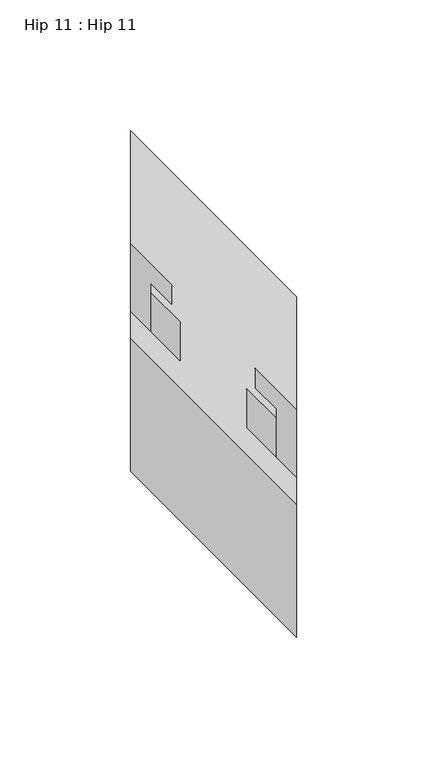
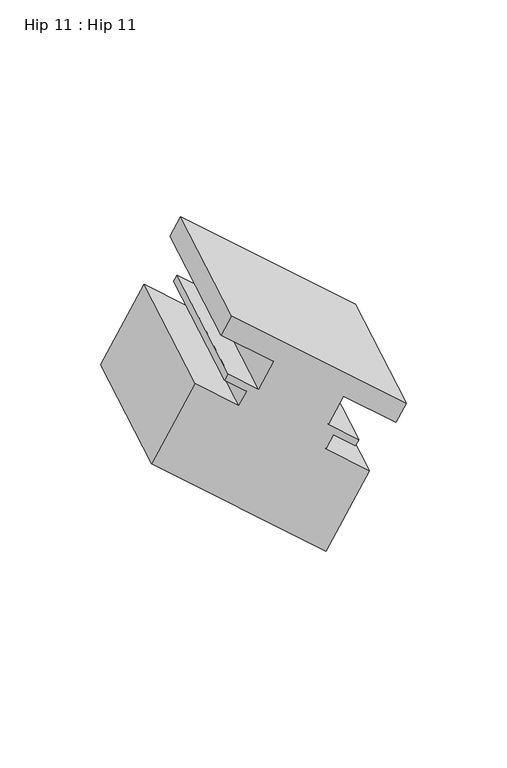
"""IFC4 building model written with IfcOpenShell, lengths in millimetres: proxy geometry, Hip 11 : Hip 11."""

from ifc_helpers import new_model, si_unit, origin, place, context, project, spatial, faceted_brep, source, transform, mapped, element, save


def hip_11_hip_11_0859e44e(model_context):
    return source(origin(), model_context, "Body", "Brep", [
        faceted_brep([(-7146.9192107, 7252.5251657, 1387.4804037), (-7146.9192107, 7201.8576852, 1358.2275203), (-7083.4192107, 7138.3576852, 1321.5657782), (-7083.4192107, 7189.0251657, 1350.8186617), (-7146.9192107, 7262.8439157, 1369.6078045), (-7146.9192107, 7212.1764352, 1340.354921), (-7127.8692107, 7243.8129657, 1358.5762863), (-7127.8692107, 7193.1454852, 1329.3234028), (-7127.8692107, 7258.8751657, 1332.4877906), (-7127.8692107, 7208.2076852, 1303.2349071), (-7138.9944107, 7270.0003657, 1338.9109278), (-7138.9944107, 7219.3328852, 1309.6580443), (-7138.9944107, 7273.3162563, 1333.1676368), (-7138.9944107, 7222.6487759, 1303.9147533), (-7131.0442107, 7265.3660563, 1328.5775867), (-7131.0442107, 7214.6985759, 1299.3247032), (-7131.0442107, 7272.9467657, 1315.4474129), (-7131.0442107, 7222.2792852, 1286.1945294), (-7146.9192107, 7288.8217657, 1324.6128484), (-7146.9192107, 7238.1542852, 1295.3599649), (-7146.9192107, 7332.0906657, 1249.6689152), (-7146.9192107, 7281.4231852, 1220.4160317), (-7083.4192107, 7268.5906657, 1213.0071731), (-7083.4192107, 7217.9231852, 1183.7542896), (-7083.4192107, 7225.3217657, 1287.9511063), (-7083.4192107, 7174.6542852, 1258.6982228), (-7099.2942107, 7241.1967657, 1297.1165418), (-7099.2942107, 7190.5292852, 1267.8636584), (-7099.2942107, 7233.6656657, 1310.1607897), (-7099.2942107, 7182.9981852, 1280.9079062), (-7091.3440107, 7225.7154657, 1305.5707396), (-7091.3440107, 7175.0479852, 1276.3178561), (-7091.3440107, 7222.3564004, 1311.3888114), (-7091.3440107, 7171.6889199, 1282.1359279), (-7102.4692107, 7233.4816004, 1317.8119486), (-7102.4692107, 7182.8141199, 1288.5590651), (-7102.4692107, 7218.4129657, 1343.9115894), (-7102.4692107, 7167.7454852, 1314.658706), (-7083.4192107, 7199.3629657, 1332.9130668), (-7083.4192107, 7148.6954852, 1303.6601833)], [[[0, 1, 2, 3]], [[1, 0, 4, 5]], [[5, 4, 6, 7]], [[7, 6, 8, 9]], [[9, 8, 10, 11]], [[11, 10, 12, 13]], [[13, 12, 14, 15]], [[15, 14, 16, 17]], [[17, 16, 18, 19]], [[19, 18, 20, 21]], [[21, 20, 22, 23]], [[23, 22, 24, 25]], [[25, 24, 26, 27]], [[27, 26, 28, 29]], [[29, 28, 30, 31]], [[31, 30, 32, 33]], [[33, 32, 34, 35]], [[35, 34, 36, 37]], [[37, 36, 38, 39]], [[39, 38, 3, 2]], [[2, 1, 5, 7, 9, 11, 13, 15, 17, 19, 21, 23, 25, 27, 29, 31, 33, 35, 37, 39]], [[0, 3, 38, 36, 34, 32, 30, 28, 26, 24, 22, 20, 18, 16, 14, 12, 10, 8, 6, 4]]]),
    ])


if __name__ == "__main__":
    model = new_model("IFC4")
    model_context = context("Model", 3, world=origin())
    ifc_project = project(units=[si_unit("LENGTHUNIT", "METRE", prefix="MILLI")], contexts=[model_context])
    site = spatial("IfcSite", under=ifc_project)
    building = spatial("IfcBuilding", under=site)
    placement = place(None, origin())
    hip_11_hip_11_shape = hip_11_hip_11_0859e44e(model_context)
    element("IfcBuildingElementProxy", 1, Name="Hip 11 : Hip 11", ObjectType="Hip 11 : Hip 11", at=placement, inside=building, context=model_context, shape_type="MappedRepresentation", body=[
        mapped(hip_11_hip_11_shape, transform((0.0, 0.0, 0.0), x_axis=(1.0, 0.0, 0.0), y_axis=(0.0, 1.0, 0.0), z_axis=(0.0, 0.0, 1.0))),
    ])
    save(model, "model.ifc")
